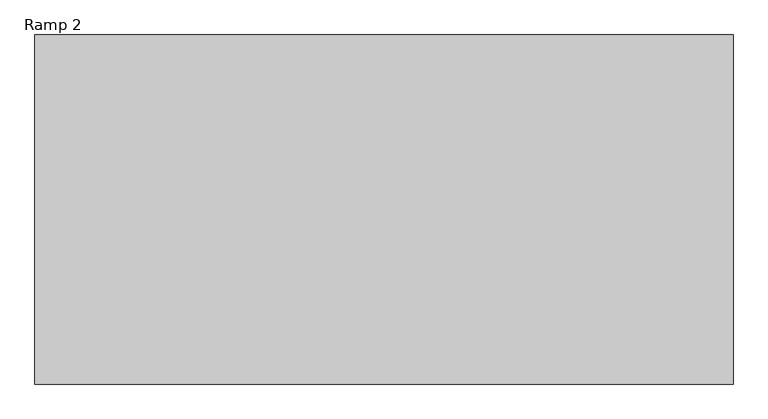
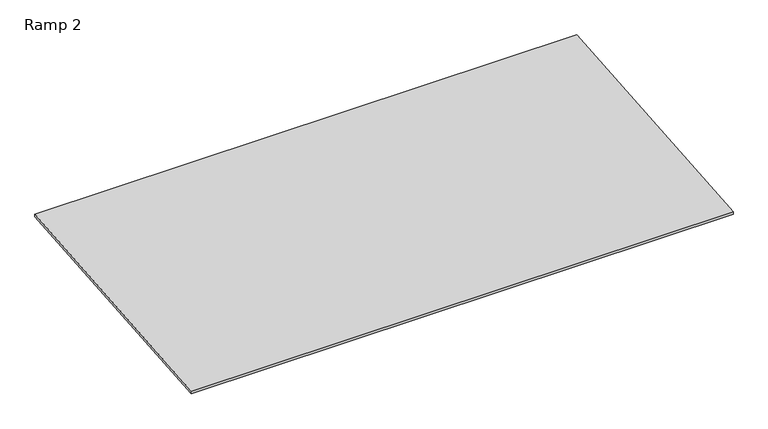
"""IFC4 building model written with IfcOpenShell, lengths in millimetres: ramp geometry, Ramp 2."""

from ifc_helpers import new_model, si_unit, frame, origin, place, context, project, spatial, polyline, outline, extrude, source, transform, mapped, element, save


def ramp_2_df132586(model_context):
    return source(origin(), model_context, "Body", "SweptSolid", [
        extrude(outline(polyline([(11815.0854027, -1000.0), (19435.0854027, -365.0), (19435.0854027, -441.4641256), (11815.0854027, -1076.4641256), (11815.0854027, -1000.0)])), frame((-46979.427995, 0.0, 0.0), z_axis=(1.0, 0.0, 0.0), x_axis=(0.0, 1.0, 0.0)), (0.0, 0.0, 1.0), 15240.0),
    ])


if __name__ == "__main__":
    model = new_model("IFC4")
    model_context = context("Model", 3, world=origin())
    ifc_project = project(units=[si_unit("LENGTHUNIT", "METRE", prefix="MILLI")], contexts=[model_context])
    site = spatial("IfcSite", under=ifc_project)
    building = spatial("IfcBuilding", under=site)
    placement = place(None, origin())
    ramp_2_shape = ramp_2_df132586(model_context)
    element("IfcRamp", 1, ObjectType="Ramp 2", at=placement, inside=building, context=model_context, shape_type="MappedRepresentation", body=[
        mapped(ramp_2_shape, transform((0.0, 0.0, 0.0), x_axis=(1.0, 0.0, 0.0), y_axis=(0.0, 1.0, 0.0), z_axis=(0.0, 0.0, 1.0))),
    ])
    save(model, "model.ifc")
